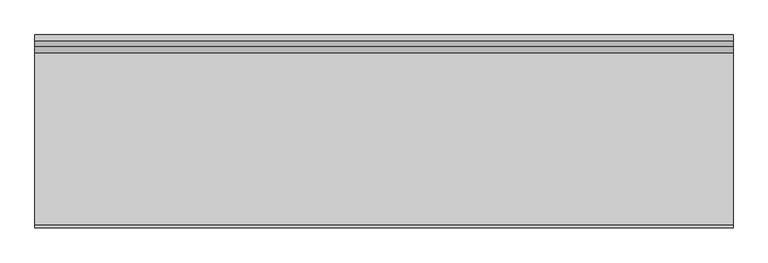
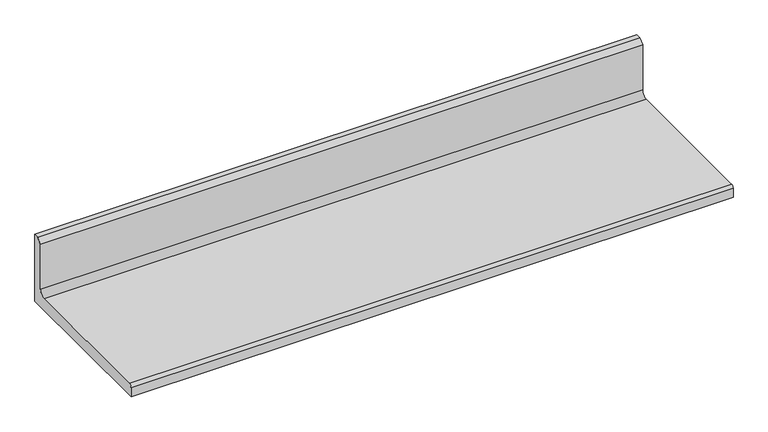
"""IFC4 building model written with IfcOpenShell, lengths in millimetres: furniture geometry."""

from ifc_helpers import new_model, si_unit, point, frame, frame_2d, origin, place, context, project, spatial, polyline, circle_curve, trimmed, segment, composite_curve, outline, extrude, source, transform, mapped, element, save


def furniture_1c61ba4f(model_context):
    return source(origin(), model_context, "Body", "SweptSolid", [
        extrude(outline(composite_curve([segment(polyline([(168.529, 1106.297), (168.529, 962.66508), (-168.529, 962.66508), (-168.529, 982.47708)]), True, "CONTINUOUS"), segment(trimmed(circle_curve(frame_2d((-162.941, 982.47708)), 5.588), [point((-168.529, 982.47708))], [point((-162.941, 988.06508))], False, "CARTESIAN"), True, "CONTINUOUS"), segment(polyline([(-162.941, 988.06508), (136.271, 988.06508)]), True, "CONTINUOUS"), segment(trimmed(circle_curve(frame_2d((136.271, 1000.76508)), 12.7), [point((136.271, 988.06508))], [point((148.971, 1000.76508))], True, "CARTESIAN"), True, "CONTINUOUS"), segment(polyline([(148.971, 1000.76508), (148.971, 1096.772), (158.496, 1106.297), (168.529, 1106.297)]), True, "CONTINUOUS")], self_intersect=False)), frame((-609.6, 0.0, 0.0), z_axis=(1.0, 0.0, 0.0), x_axis=(0.0, 1.0, 0.0)), (0.0, 0.0, 1.0), 1219.2),
    ])


if __name__ == "__main__":
    model = new_model("IFC4")
    model_context = context("Model", 3, world=origin())
    ifc_project = project(units=[si_unit("LENGTHUNIT", "METRE", prefix="MILLI")], contexts=[model_context])
    site = spatial("IfcSite", under=ifc_project)
    building = spatial("IfcBuilding", under=site)
    placement = place(None, origin())
    furniture_shape = furniture_1c61ba4f(model_context)
    element("IfcFurniture", 1, at=placement, inside=building, context=model_context, shape_type="MappedRepresentation", body=[
        mapped(furniture_shape, transform((0.0, 0.0, 0.0), x_axis=(1.0, 0.0, 0.0), y_axis=(0.0, 1.0, 0.0), z_axis=(0.0, 0.0, 1.0))),
    ])
    save(model, "model.ifc")
